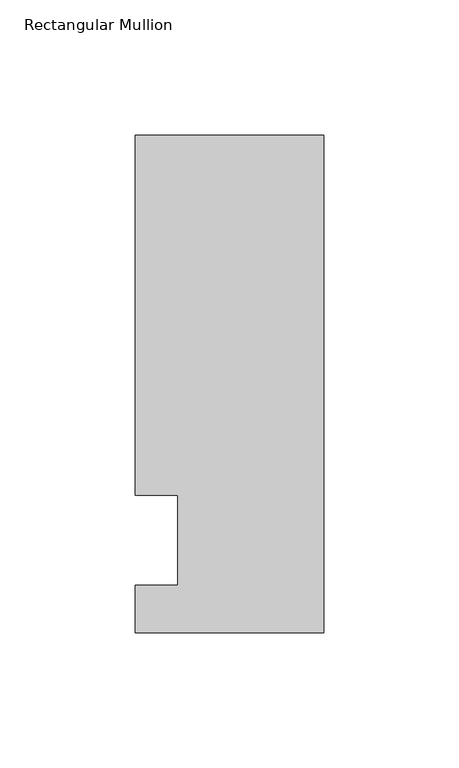
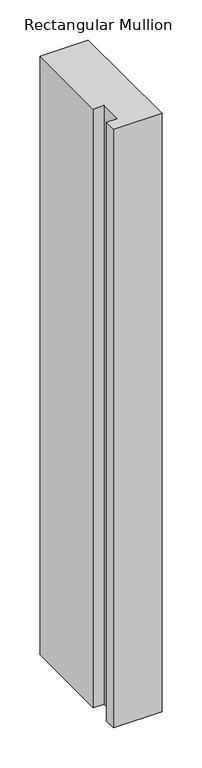
"""IFC4 building model written with IfcOpenShell, lengths in millimetres: member geometry, Rectangular Mullion."""

from ifc_helpers import new_model, si_unit, frame, origin, place, context, project, spatial, polyline, outline, extrude, source, transform, mapped, element, save


def rectangular_mullion_05ff97a9(model_context):
    return source(origin(), model_context, "Body", "SweptSolid", [
        extrude(outline(polyline([(-69.85, 150.01875), (0.0, 150.01875), (0.0, -34.13125), (-69.85, -34.13125), (-69.85, -16.66875), (-53.975, -16.66875), (-53.975, 16.66875), (-69.85, 16.66875), (-69.85, 150.01875)])), frame((0.0, 0.0, -913.2405973), z_axis=(0.0, 0.0, 1.0), x_axis=(1.0, 0.0, 0.0)), (0.0, 0.0, 1.0), 913.2405973),
    ])


if __name__ == "__main__":
    model = new_model("IFC4")
    model_context = context("Model", 3, world=origin())
    ifc_project = project(units=[si_unit("LENGTHUNIT", "METRE", prefix="MILLI")], contexts=[model_context])
    site = spatial("IfcSite", under=ifc_project)
    building = spatial("IfcBuilding", under=site)
    placement = place(None, origin())
    rectangular_mullion_shape = rectangular_mullion_05ff97a9(model_context)
    element("IfcMember", 1, ObjectType="Rectangular Mullion", at=placement, inside=building, context=model_context, shape_type="MappedRepresentation", body=[
        mapped(rectangular_mullion_shape, transform((0.0, 0.0, 0.0), x_axis=(1.0, 0.0, 0.0), y_axis=(0.0, 1.0, 0.0), z_axis=(0.0, 0.0, 1.0))),
    ])
    save(model, "model.ifc")
